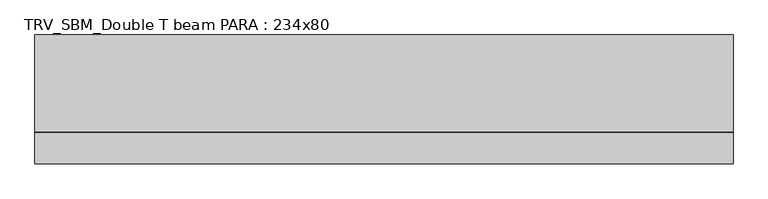
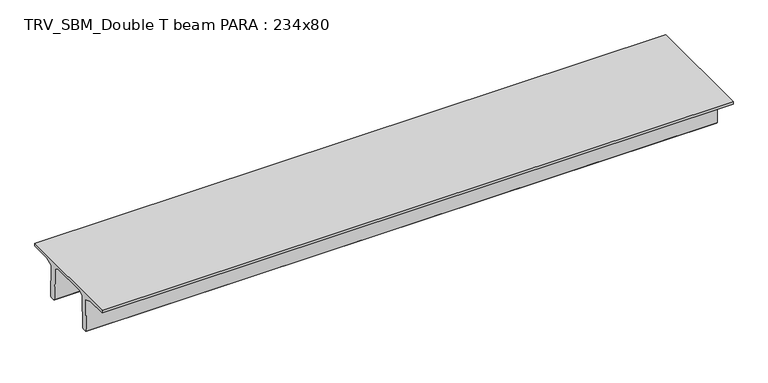
"""IFC4 building model written with IfcOpenShell, lengths in millimetres: beam geometry, TRV_SBM_Double T beam PARA : 234x80."""

from ifc_helpers import new_model, si_unit, frame, origin, place, context, project, spatial, polyline, outline, extrude, source, transform, mapped, element, save


def trv_sbm_double_t_beam_para_234x80_d989c863(model_context):
    return source(origin(), model_context, "Body", "SweptSolid", [
        extrude(outline(polyline([(352.1399239, 205.988519), (-382.1399239, 205.988519), (-485.0, 144.18395), (-501.9262559, -520.5206011), (-521.4056548, -540.0), (-611.4056548, -540.0), (-631.9887932, -520.5206011), (-615.2025683, 140.6523122), (-776.9153545, 205.988519), (-1185.0, 205.988519), (-1185.0, 260.0), (1155.0, 260.0), (1155.0, 205.988519), (746.9153545, 205.988519), (585.2025683, 140.6523122), (601.9887932, -520.5206011), (581.4056548, -540.0), (491.4056548, -540.0), (471.9262559, -520.5206011), (455.0, 144.18395), (352.1399239, 205.988519)])), frame((-6351.0, 0.0, 0.0), z_axis=(1.0, 0.0, 0.0), x_axis=(0.0, 1.0, 0.0)), (0.0, 0.0, 1.0), 12667.9062685),
    ])


if __name__ == "__main__":
    model = new_model("IFC4")
    model_context = context("Model", 3, world=origin())
    ifc_project = project(units=[si_unit("LENGTHUNIT", "METRE", prefix="MILLI")], contexts=[model_context])
    site = spatial("IfcSite", under=ifc_project)
    building = spatial("IfcBuilding", under=site)
    placement = place(None, origin())
    trv_sbm_double_t_beam_para_234x80_shape = trv_sbm_double_t_beam_para_234x80_d989c863(model_context)
    element("IfcBeam", 1, ObjectType="TRV_SBM_Double T beam PARA : 234x80", at=placement, inside=building, context=model_context, shape_type="MappedRepresentation", body=[
        mapped(trv_sbm_double_t_beam_para_234x80_shape, transform((0.0, 0.0, 0.0), x_axis=(1.0, 0.0, 0.0), y_axis=(0.0, 1.0, 0.0), z_axis=(0.0, 0.0, 1.0))),
    ])
    save(model, "model.ifc")
